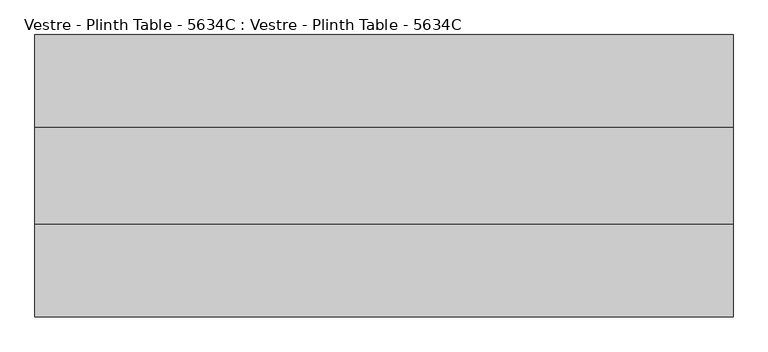
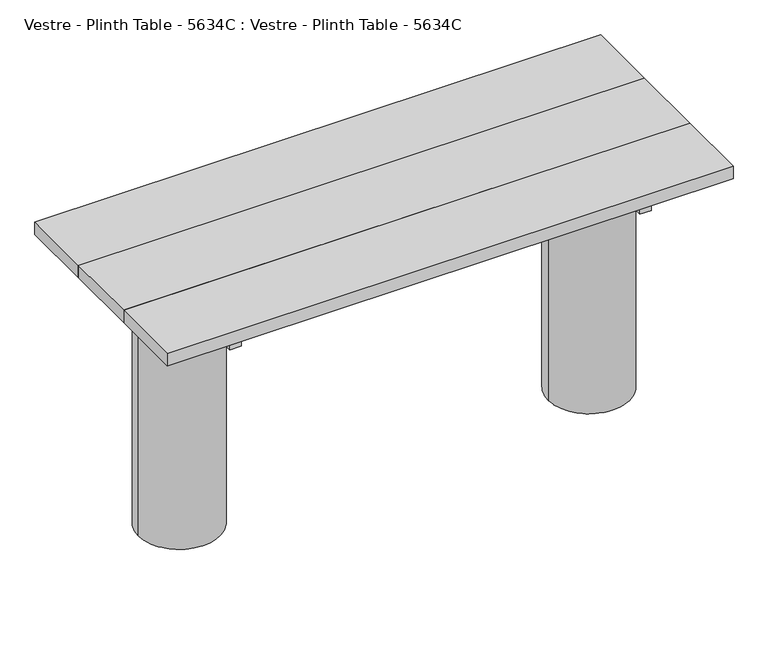
"""IFC4 building model written with IfcOpenShell, lengths in millimetres: furniture geometry, Vestre - Plinth Table - 5634C : Vestre - Plinth Table - 5634C."""

from ifc_helpers import new_model, si_unit, frame, origin, place, context, project, spatial, polyline, circle_curve, outline, extrude, source, transform, mapped, element, save
from ifc_brep_helpers import plane_surface, cylinder_surface, advanced_brep


def vestre_plinth_table_5634c_vestre_plinth_table_5634c_ef988fd6(model_context):
    return source(origin(), model_context, "Body", "SolidModel", [
        extrude(outline(polyline([(565.4994536, -483.0002308), (535.4811401, -483.0002308), (535.4811401, 43.000233), (565.4994536, 43.000233), (565.4994536, -483.0002308)])), frame((0.0, 0.0, 654.9999847), z_axis=(0.0, 0.0, 1.0), x_axis=(1.0, 0.0, 0.0)), (0.0, 0.0, 1.0), 50.0),
        extrude(outline(polyline([(760.0005464, -114.9999989), (760.0005464, -324.9999989), (-760.0005464, -324.9999989), (-760.0005464, -114.9999989), (760.0005464, -114.9999989)])), frame((0.0, 0.0, 704.9999847), z_axis=(0.0, 0.0, 1.0), x_axis=(1.0, 0.0, 0.0)), (0.0, 0.0, 1.0), 35.0000153),
        extrude(outline(polyline([(538.5005464, -202.4998463), (538.5005464, -237.5001515), (-538.5005464, -237.5001515), (-538.5005464, -202.4998463), (538.5005464, -202.4998463)])), frame((0.0, 0.0, 564.9999847), z_axis=(0.0, 0.0, 1.0), x_axis=(1.0, 0.0, 0.0)), (0.0, 0.0, 1.0), 90.0),
        extrude(outline(polyline([(760.0005464, 87.500233), (760.0005464, -114.9999989), (-760.0005464, -114.9999989), (-760.0005464, 87.500233), (760.0005464, 87.500233)])), frame((0.0, 0.0, 704.9999847), z_axis=(0.0, 0.0, 1.0), x_axis=(1.0, 0.0, 0.0)), (0.0, 0.0, 1.0), 35.0000153),
        extrude(outline(polyline([(760.0005464, -324.9999989), (760.0005464, -527.5002308), (-760.0005464, -527.5002308), (-760.0005464, -324.9999989), (760.0005464, -324.9999989)])), frame((0.0, 0.0, 704.9999847), z_axis=(0.0, 0.0, 1.0), x_axis=(1.0, 0.0, 0.0)), (0.0, 0.0, 1.0), 35.0000153),
        extrude(outline(polyline([(-535.4811401, -483.0002308), (-565.4994536, -483.0002308), (-565.4994536, 43.000233), (-535.4811401, 43.000233), (-535.4811401, -483.0002308)])), frame((0.0, 0.0, 654.9999847), z_axis=(0.0, 0.0, 1.0), x_axis=(1.0, 0.0, 0.0)), (0.0, 0.0, 1.0), 50.0),
        advanced_brep(
        [(-660.0830351, -219.9999989, 654.9999847), (-442.3211565, -237.5001515, 654.9999847), (-538.5005464, -237.5001515, 654.9999847), (-538.5005464, -202.4998463, 654.9999847), (-442.3211565, -202.4998463, 654.9999847), (-660.0830351, -219.9999989, 0.0), (-440.9147793, -219.9999989, 0.0), (-440.9147793, -219.9999989, 564.9999847), (-442.3211565, -237.5001515, 564.9999847), (-442.3211565, -202.4998463, 564.9999847), (-538.5005464, -237.5001515, 564.9999847), (-538.5005464, -202.4998463, 564.9999847)],
        [
            (0, 1, circle_curve(frame((-550.4989072, -219.9999989, 654.9999847), z_axis=(0.0, 0.0, 1.0), x_axis=(1.0, 0.0, 0.0)), 109.5841279)),
            (1, 2),
            (2, 3),
            (3, 4),
            (4, 0, circle_curve(frame((-550.4989072, -219.9999989, 654.9999847), z_axis=(0.0, 0.0, 1.0), x_axis=(1.0, 0.0, 0.0)), 109.5841279)),
            (5, 6, circle_curve(frame((-550.4989072, -219.9999989, 0.0), z_axis=(0.0, 0.0, -1.0), x_axis=(1.0, 0.0, 0.0)), 109.5841279)),
            (6, 5, circle_curve(frame((-550.4989072, -219.9999989, 0.0), z_axis=(0.0, 0.0, -1.0), x_axis=(1.0, 0.0, 0.0)), 109.5841279)),
            (6, 7),
            (7, 8, circle_curve(frame((-550.4989072, -219.9999989, 564.9999847), z_axis=(0.0, 0.0, -1.0), x_axis=(1.0, 0.0, 0.0)), 109.5841279)),
            (8, 1),
            (0, 5),
            (4, 9),
            (9, 7, circle_curve(frame((-550.4989072, -219.9999989, 564.9999847), z_axis=(0.0, 0.0, -1.0), x_axis=(1.0, 0.0, 0.0)), 109.5841279)),
            (10, 11),
            (11, 3),
            (2, 10),
            (10, 8),
            (9, 11),
        ],
        [
            plane_surface(frame((-440.9147793, -219.9999989, 654.9999847), z_axis=(0.0, 0.0, 1.0), x_axis=(0.0, 1.0, 0.0))),
            plane_surface(frame((-440.9147793, -219.9999989, 0.0), z_axis=(0.0, 0.0, -1.0), x_axis=(0.0, -1.0, 0.0))),
            cylinder_surface(frame((-550.4989072, -219.9999989, 0.0), z_axis=(0.0, 0.0, 1.0), x_axis=(1.0, 0.0, 0.0)), 109.5841279),
            plane_surface(frame((-538.5005464, -202.4998463, 564.9999847), z_axis=(1.0, 0.0, 0.0), x_axis=(0.0, -1.0, 0.0))),
            plane_surface(frame((-420.0, -237.5001515, 564.9999847), z_axis=(0.0, 0.0, 1.0), x_axis=(-1.0, 0.0, 0.0))),
            plane_surface(frame((-420.0, -202.4998463, 564.9999847), z_axis=(0.0, -1.0, 0.0), x_axis=(-1.0, 0.0, 0.0))),
            plane_surface(frame((-420.0, -237.5001515, 654.9999847), z_axis=(0.0, 1.0, 0.0), x_axis=(-1.0, 0.0, 0.0))),
        ],
        [
            (0, [[1, 2, 3, 4, 5]]),
            (1, [[6, 7]]),
            (2, [[-7, 8, 9, 10, -1, 11]]),
            (2, [[-6, -11, -5, 12, 13, -8]]),
            (3, [[14, 15, -3, 16]]),
            (4, [[-14, 17, -9, -13, 18]]),
            (5, [[-15, -18, -12, -4]]),
            (6, [[-16, -2, -10, -17]]),
        ],
    ),
        advanced_brep(
        [(660.0830351, -219.9999989, 654.9999847), (442.3211565, -202.4998463, 654.9999847), (538.5005464, -202.4998463, 654.9999847), (538.5005464, -237.5001515, 654.9999847), (442.3211565, -237.5001515, 654.9999847), (660.0830351, -219.9999989, 0.0), (440.9147793, -219.9999989, 0.0), (442.3211565, -237.5001515, 564.9999847), (440.9147793, -219.9999989, 564.9999847), (442.3211565, -202.4998463, 564.9999847), (538.5005464, -237.5001515, 564.9999847), (538.5005464, -202.4998463, 564.9999847)],
        [
            (0, 1, circle_curve(frame((550.4989072, -219.9999989, 654.9999847), z_axis=(0.0, 0.0, 1.0), x_axis=(-1.0, 0.0, 0.0)), 109.5841279)),
            (1, 2),
            (2, 3),
            (3, 4),
            (4, 0, circle_curve(frame((550.4989072, -219.9999989, 654.9999847), z_axis=(0.0, 0.0, 1.0), x_axis=(-1.0, 0.0, 0.0)), 109.5841279)),
            (5, 6, circle_curve(frame((550.4989072, -219.9999989, 0.0), z_axis=(0.0, 0.0, -1.0), x_axis=(-1.0, 0.0, 0.0)), 109.5841279)),
            (6, 5, circle_curve(frame((550.4989072, -219.9999989, 0.0), z_axis=(0.0, 0.0, -1.0), x_axis=(-1.0, 0.0, 0.0)), 109.5841279)),
            (5, 0),
            (4, 7),
            (7, 8, circle_curve(frame((550.4989072, -219.9999989, 564.9999847), z_axis=(0.0, 0.0, -1.0), x_axis=(-1.0, 0.0, 0.0)), 109.5841279)),
            (8, 6),
            (8, 9, circle_curve(frame((550.4989072, -219.9999989, 564.9999847), z_axis=(0.0, 0.0, -1.0), x_axis=(-1.0, 0.0, 0.0)), 109.5841279)),
            (9, 1),
            (10, 3),
            (2, 11),
            (11, 10),
            (11, 9),
            (7, 10),
        ],
        [
            plane_surface(frame((440.9147793, -219.9999989, 654.9999847), z_axis=(0.0, 0.0, 1.0), x_axis=(0.0, -1.0, 0.0))),
            plane_surface(frame((440.9147793, -219.9999989, 0.0), z_axis=(0.0, 0.0, -1.0), x_axis=(0.0, 1.0, 0.0))),
            cylinder_surface(frame((550.4989072, -219.9999989, 0.0), z_axis=(0.0, 0.0, 1.0), x_axis=(-1.0, 0.0, 0.0)), 109.5841279),
            plane_surface(frame((538.5005464, -237.5001515, 564.9999847), z_axis=(-1.0, 0.0, 0.0), x_axis=(0.0, 0.0, -1.0))),
            plane_surface(frame((420.0, -202.4998463, 564.9999847), z_axis=(0.0, 0.0, 1.0), x_axis=(1.0, 0.0, 0.0))),
            plane_surface(frame((420.0, -202.4998463, 654.9999847), z_axis=(0.0, -1.0, 0.0), x_axis=(1.0, 0.0, 0.0))),
            plane_surface(frame((420.0, -237.5001515, 564.9999847), z_axis=(0.0, 1.0, 0.0), x_axis=(1.0, 0.0, 0.0))),
        ],
        [
            (0, [[1, 2, 3, 4, 5]]),
            (1, [[6, 7]]),
            (2, [[-6, 8, -5, 9, 10, 11]]),
            (2, [[-7, -11, 12, 13, -1, -8]]),
            (3, [[14, -3, 15, 16]]),
            (4, [[-16, 17, -12, -10, 18]]),
            (5, [[-15, -2, -13, -17]]),
            (6, [[-14, -18, -9, -4]]),
        ],
    ),
    ])


if __name__ == "__main__":
    model = new_model("IFC4")
    model_context = context("Model", 3, world=origin())
    ifc_project = project(units=[si_unit("LENGTHUNIT", "METRE", prefix="MILLI")], contexts=[model_context])
    site = spatial("IfcSite", under=ifc_project)
    building = spatial("IfcBuilding", under=site)
    placement = place(None, origin())
    vestre_plinth_table_5634c_vestre_plinth_table_5634c_shape = vestre_plinth_table_5634c_vestre_plinth_table_5634c_ef988fd6(model_context)
    element("IfcFurniture", 1, ObjectType="Vestre - Plinth Table - 5634C : Vestre - Plinth Table - 5634C", at=placement, inside=building, context=model_context, shape_type="MappedRepresentation", body=[
        mapped(vestre_plinth_table_5634c_vestre_plinth_table_5634c_shape, transform((0.0, 0.0, 0.0), x_axis=(1.0, 0.0, 0.0), y_axis=(0.0, 1.0, 0.0), z_axis=(0.0, 0.0, 1.0))),
    ])
    save(model, "model.ifc")
